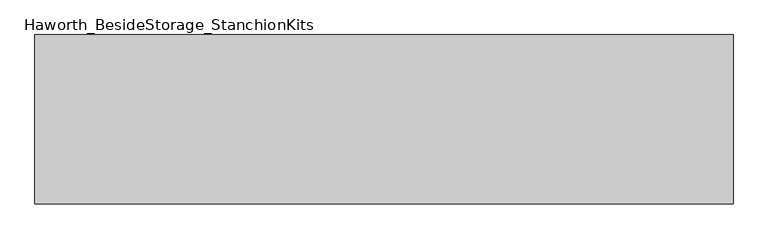
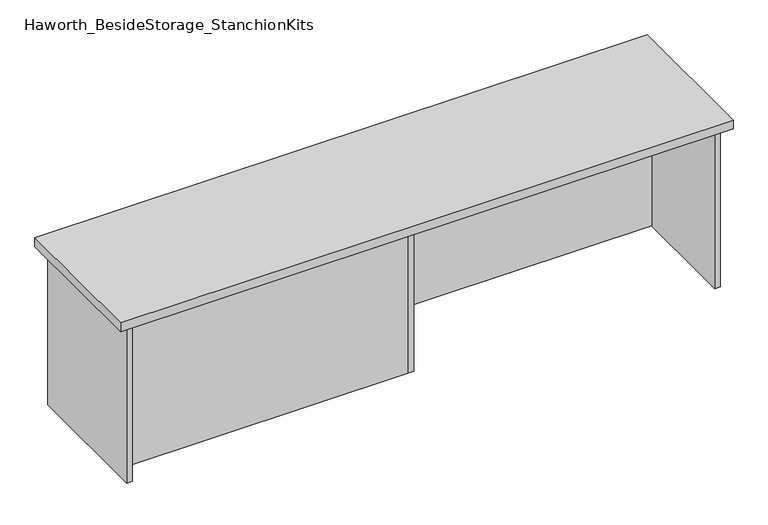
"""IFC4 building model written with IfcOpenShell, lengths in millimetres: furniture geometry, Haworth_BesideStorage_StanchionKits."""

from ifc_helpers import new_model, si_unit, frame, origin, place, context, project, spatial, polyline, outline, extrude, source, transform, mapped, element, save


def haworth_besidestorage_stanchionkits_2db60abf(model_context):
    return source(origin(), model_context, "Body", "SweptSolid", [
        extrude(outline(polyline([(1000.125, 0.0), (1000.125, -406.4), (-676.275, -406.4), (-676.275, 0.0), (1000.125, 0.0)])), frame((0.0, 0.0, 889.0), z_axis=(0.0, 0.0, 1.0), x_axis=(1.0, 0.0, 0.0)), (0.0, 0.0, 1.0), 25.4),
        extrude(outline(polyline([(169.8625, -76.2), (958.85, -76.2), (958.85, -92.075), (169.8625, -92.075), (169.8625, -76.2)])), frame((0.0, 0.0, 431.8), z_axis=(0.0, 0.0, 1.0), x_axis=(1.0, 0.0, 0.0)), (0.0, 0.0, 1.0), 457.2),
        extrude(outline(polyline([(153.9875, -314.325), (153.9875, -330.2), (-635.0, -330.2), (-635.0, -314.325), (153.9875, -314.325)])), frame((0.0, 0.0, 431.8), z_axis=(0.0, 0.0, 1.0), x_axis=(1.0, 0.0, 0.0)), (0.0, 0.0, 1.0), 457.2),
        extrude(outline(polyline([(169.8625, -330.2), (153.9875, -330.2), (153.9875, -76.2), (169.8625, -76.2), (169.8625, -330.2)])), frame((0.0, 0.0, 431.8), z_axis=(0.0, 0.0, 1.0), x_axis=(1.0, 0.0, 0.0)), (0.0, 0.0, 1.0), 457.2),
        extrude(outline(polyline([(974.725, -390.525), (958.85, -390.525), (958.85, -15.875), (974.725, -15.875), (974.725, -390.525)])), frame((0.0, 0.0, 431.8), z_axis=(0.0, 0.0, 1.0), x_axis=(1.0, 0.0, 0.0)), (0.0, 0.0, 1.0), 457.2),
        extrude(outline(polyline([(-635.0, -390.525), (-650.875, -390.525), (-650.875, -15.875), (-635.0, -15.875), (-635.0, -390.525)])), frame((0.0, 0.0, 431.8), z_axis=(0.0, 0.0, 1.0), x_axis=(1.0, 0.0, 0.0)), (0.0, 0.0, 1.0), 457.2),
    ])


if __name__ == "__main__":
    model = new_model("IFC4")
    model_context = context("Model", 3, world=origin())
    ifc_project = project(units=[si_unit("LENGTHUNIT", "METRE", prefix="MILLI")], contexts=[model_context])
    site = spatial("IfcSite", under=ifc_project)
    building = spatial("IfcBuilding", under=site)
    placement = place(None, origin())
    haworth_besidestorage_stanchionkits_shape = haworth_besidestorage_stanchionkits_2db60abf(model_context)
    element("IfcFurniture", 1, ObjectType="Haworth_BesideStorage_StanchionKits", at=placement, inside=building, context=model_context, shape_type="MappedRepresentation", body=[
        mapped(haworth_besidestorage_stanchionkits_shape, transform((0.0, 0.0, 0.0), x_axis=(1.0, 0.0, 0.0), y_axis=(0.0, 1.0, 0.0), z_axis=(0.0, 0.0, 1.0))),
    ])
    save(model, "model.ifc")
